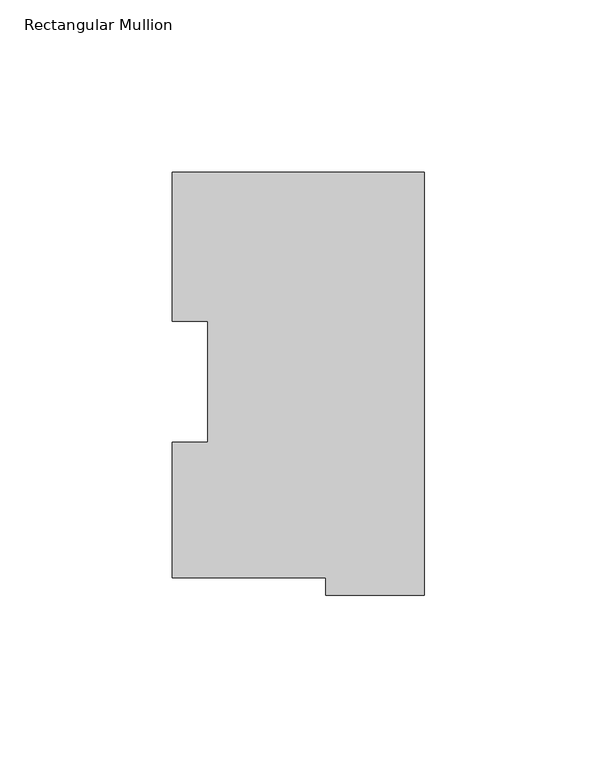
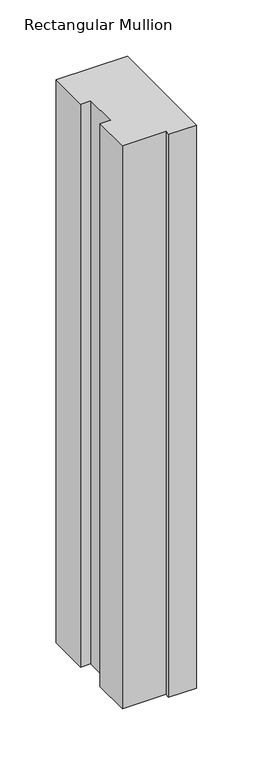
"""IFC4 building model written with IfcOpenShell, lengths in millimetres: member geometry, Rectangular Mullion."""

from ifc_helpers import new_model, si_unit, frame, origin, place, context, project, spatial, polyline, outline, extrude, source, transform, mapped, element, save


def rectangular_mullion_e81bcd87(model_context):
    return source(origin(), model_context, "Body", "SweptSolid", [
        extrude(outline(polyline([(-73.025, 117.827425), (0.0, 117.827425), (0.0, -4.778375), (-28.575, -4.778375), (-28.575, 0.225425), (-73.025, 0.225425), (-73.025, 39.646225), (-62.7126, 39.646225), (-62.7126, 74.596625), (-73.025, 74.596625), (-73.025, 117.827425)])), frame((0.0, 0.0, -609.6), z_axis=(0.0, 0.0, 1.0), x_axis=(1.0, 0.0, 0.0)), (0.0, 0.0, 1.0), 609.6),
    ])


if __name__ == "__main__":
    model = new_model("IFC4")
    model_context = context("Model", 3, world=origin())
    ifc_project = project(units=[si_unit("LENGTHUNIT", "METRE", prefix="MILLI")], contexts=[model_context])
    site = spatial("IfcSite", under=ifc_project)
    building = spatial("IfcBuilding", under=site)
    placement = place(None, origin())
    rectangular_mullion_shape = rectangular_mullion_e81bcd87(model_context)
    element("IfcMember", 1, ObjectType="Rectangular Mullion", at=placement, inside=building, context=model_context, shape_type="MappedRepresentation", body=[
        mapped(rectangular_mullion_shape, transform((0.0, 0.0, 0.0), x_axis=(1.0, 0.0, 0.0), y_axis=(0.0, 1.0, 0.0), z_axis=(0.0, 0.0, 1.0))),
    ])
    save(model, "model.ifc")
